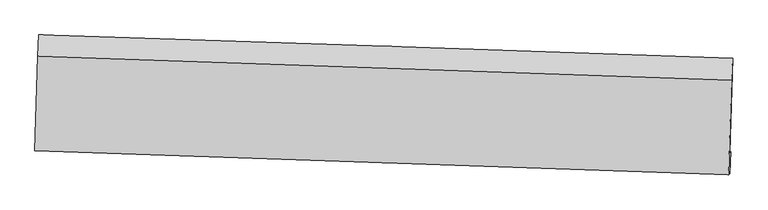
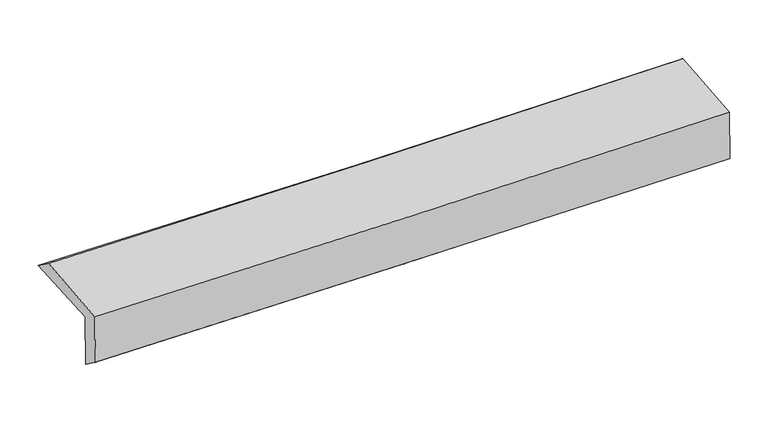
"""IFC4 building model written with IfcOpenShell, lengths in millimetres: proxy geometry."""

from ifc_helpers import new_model, si_unit, frame, origin, place, context, project, spatial, source, transform, mapped, element, save
from ifc_brep_helpers import plane_surface, spline_curve, spline_surface, advanced_brep


def generic_models_17e0dd51(model_context):
    return source(origin(), model_context, "Body", "AdvancedBrep", [
        advanced_brep(
        [(-2439.3539587, -1720.9464075, 2005.0434882), (-2419.3520905, -1056.3871115, 2018.6768078), (2425.8915902, -1218.9172117, 2095.3686577), (2405.4274766, -1878.4608268, 2081.8246614), (-2430.4751065, -1712.9842156, 1603.8981774), (2414.3876011, -1870.4257533, 1677.0074788), (-2437.1728317, -1857.1427032, 1710.5142113), (2407.0022636, -2024.7935416, 1794.5146885), (-2445.6406225, -1864.7362718, 2093.0878204), (2398.3135592, -2032.5852166, 2187.0691464), (-2426.2780837, -1206.3981481, 2127.5937727), (2418.287983, -1374.266064, 2221.5882655)],
        [
            (0, 1),
            (1, 2, spline_curve(3, [(-2419.3520905, -1056.3871115, 2018.6768078), (-1608.188399472, -1081.38550836, 2020.027781073), (-797.16941587, -1107.489360822, 2027.144359506), (817.909440397, -1161.684171645, 2052.802767271), (1621.971683608, -1189.757019391, 2071.250138687), (2425.8915902, -1218.9172117, 2095.3686577)], [4, 2, 4], [0.0, 7.9861511875064135, 15.906613764639683])),
            (2, 3),
            (3, 0, spline_curve(3, [(2405.4274766, -1878.4608268, 2081.8246614), (1601.386574118, -1851.930439015, 2064.293448544), (797.301786016, -1825.592452039, 2049.145949549), (-817.624628157, -1773.084441106, 2023.512522591), (-1628.466985149, -1746.917621395, 2013.066297152), (-2439.3539587, -1720.9464075, 2005.0434882)], [4, 2, 4], [0.0, 7.92046257713327, 15.906613764639683])),
            (4, 0),
            (3, 5),
            (5, 4, spline_curve(3, [(2414.3876011, -1870.4257533, 1677.0074788), (1610.378437748, -1843.866902945, 1658.042288094), (806.302868178, -1817.520649335, 1642.478306283), (-808.650261646, -1765.036595946, 1618.051889375), (-1619.528927743, -1738.902336823, 1609.246103746), (-2430.4751065, -1712.9842156, 1603.8981774)], [4, 2, 4], [0.0, 7.919909772052691, 15.905503569771863])),
            (6, 4),
            (5, 7),
            (7, 6, spline_curve(3, [(2407.0022636, -2024.7935416, 1794.5146885), (1602.970953936, -1996.650662937, 1779.995974555), (798.941094146, -1968.665362049, 1765.764295469), (-815.783961749, -1912.779124432, 1737.759355372), (-1626.479133739, -1884.880812949, 1723.990875818), (-2437.1728317, -1857.1427032, 1710.5142113)], [4, 2, 4], [0.0, 7.919745332975387, 15.905173327836494])),
            (8, 6),
            (7, 9),
            (9, 8, spline_curve(3, [(2398.3135592, -2032.5852166, 2187.0691464), (1594.465997652, -2004.277560263, 2164.248719165), (790.546649072, -1976.193157315, 2145.024159624), (-824.103549341, -1920.239790345, 2113.63715892), (-1634.835594444, -1892.374545137, 2101.534609767), (-2445.6406225, -1864.7362718, 2093.0878204)], [4, 2, 4], [0.0, 7.919590672188376, 15.904862723578276])),
            (10, 8),
            (9, 11),
            (11, 10, spline_curve(3, [(2418.287983, -1374.266064, 2221.5882655), (1614.33802422, -1345.955185739, 2198.765635899), (810.316695379, -1317.867597016, 2179.538882295), (-804.537471565, -1261.907906129, 2148.147492523), (-1615.3714981, -1234.039522567, 2136.042748209), (-2426.2780837, -1206.3981481, 2127.5937727)], [4, 2, 4], [0.0, 7.920136649819225, 15.905959206922963])),
            (1, 10),
            (11, 2),
        ],
        [
            spline_surface(3, 3, [[(-2439.3539587, -1720.9464075, 2005.0434882), (-1628.466985205, -1746.917621487, 2013.066297051), (-817.624628143, -1773.084441051, 2023.512522493), (797.301786002, -1825.592452094, 2049.145949645), (1601.386574049, -1851.930438947, 2064.293448643), (2405.4274766, -1878.4608268, 2081.8246614)], [(-2432.686669303, -1499.426642175, 2009.587928069), (-1621.70745664, -1525.07358383, 2015.386791694), (-810.806224032, -1551.219414357, 2024.723134834), (804.171004116, -1604.289691957, 2050.364888845), (1608.248277214, -1631.205965723, 2066.612345338), (2412.248847791, -1658.6129551, 2086.339326851)], [(-2426.019379897, -1277.906876825, 2014.132367931), (-1614.947928067, -1303.229546147, 2017.70728633), (-803.987819923, -1329.35438757, 2025.933747184), (811.040222227, -1382.986931727, 2051.583828053), (1615.109980406, -1410.481492498, 2068.931241981), (2419.070219009, -1438.7650834, 2090.853992249)], [(-2419.3520905, -1056.3871115, 2018.6768078), (-1608.188399501, -1081.385508491, 2020.027780973), (-797.169415813, -1107.489360876, 2027.144359525), (817.909440341, -1161.684171591, 2052.802767253), (1621.971683572, -1189.757019273, 2071.250138676), (2425.8915902, -1218.9172117, 2095.3686577)]], [4, 4], [4, 2, 4], [0.0, 2.1820392126921333], [0.0, 7.9861511875064135, 15.906613764639683]),
            spline_surface(3, 3, [[(-2430.4751065, -1712.9842156, 1603.8981774), (-1619.528927809, -1738.902336787, 1609.246103701), (-808.650261638, -1765.036595877, 1618.051889258), (806.302868171, -1817.520649404, 1642.478306399), (1610.378437868, -1843.866902923, 1658.042287999), (2414.3876011, -1870.4257533, 1677.0074788)], [(-2433.434723911, -1715.638279544, 1737.613281009), (-1622.508280285, -1741.574098331, 1743.852834826), (-811.641717147, -1767.719210926, 1753.205433686), (803.302507441, -1820.211250291, 1778.034187497), (1607.381149913, -1846.554748272, 1793.459341548), (2411.400892918, -1873.10411114, 1811.946539668)], [(-2436.394341289, -1718.292343556, 1871.328384591), (-1625.487632728, -1744.245859943, 1878.459565926), (-814.633172634, -1770.401826002, 1888.358978065), (800.302146732, -1822.901851206, 1913.590068547), (1604.383862004, -1849.242593599, 1928.876395094), (2408.414184782, -1875.78246896, 1946.885600532)], [(-2439.3539587, -1720.9464075, 2005.0434882), (-1628.466985205, -1746.917621487, 2013.066297051), (-817.624628143, -1773.084441051, 2023.512522493), (797.301786002, -1825.592452094, 2049.145949645), (1601.386574049, -1851.930438947, 2064.293448643), (2405.4274766, -1878.4608268, 2081.8246614)]], [4, 4], [4, 2, 4], [0.0, 1.3328035228617265], [0.0, 7.985593797719172, 15.905503569771863]),
            spline_surface(3, 3, [[(-2437.1728317, -1857.1427032, 1710.5142113), (-1626.479133622, -1884.880812855, 1723.990875692), (-815.783961757, -1912.77912455, 1737.759355492), (798.941094153, -1968.665361931, 1765.76429535), (1602.970954058, -1996.650663046, 1779.995974641), (2407.0022636, -2024.7935416, 1794.5146885)], [(-2434.940256608, -1809.089874017, 1674.975533322), (-1624.162398325, -1836.221320849, 1685.74261835), (-813.40606171, -1863.531614995, 1697.856866741), (801.395018833, -1918.283791091, 1724.668965693), (1605.440115356, -1945.722743005, 1739.34474575), (2409.464042795, -1973.337612167, 1755.345618589)], [(-2432.707681592, -1761.037044783, 1639.436855378), (-1621.845663106, -1787.561828793, 1647.494361042), (-811.028161685, -1814.284105433, 1657.954378009), (803.848943492, -1867.902220244, 1683.573636056), (1607.90927657, -1894.794822964, 1698.693516891), (2411.925821905, -1921.881682733, 1716.176548711)], [(-2430.4751065, -1712.9842156, 1603.8981774), (-1619.528927809, -1738.902336787, 1609.246103701), (-808.650261638, -1765.036595877, 1618.051889258), (806.302868171, -1817.520649404, 1642.478306399), (1610.378437868, -1843.866902923, 1658.042287999), (2414.3876011, -1870.4257533, 1677.0074788)]], [4, 4], [4, 2, 4], [0.0, 0.6322710235316513], [0.0, 7.985427994861107, 15.905173327836494]),
            spline_surface(3, 3, [[(-2445.6406225, -1864.7362718, 2093.0878204), (-1634.835594397, -1892.374545239, 2101.534609729), (-824.103549233, -1920.239790472, 2113.637158818), (790.546648965, -1976.19315719, 2145.024159724), (1594.46599775, -2004.277560267, 2164.248719264), (2398.3135592, -2032.5852166, 2187.0691464)], [(-2442.818025591, -1862.205082242, 1965.563284056), (-1632.050107497, -1889.87663442, 1975.686698406), (-821.330353432, -1917.752901809, 1988.344557693), (793.344797336, -1973.683892082, 2018.604204916), (1597.300983185, -2001.735261186, 2036.164471047), (2401.209793999, -2029.987991592, 2056.217660424)], [(-2439.995428609, -1859.673892758, 1838.038747644), (-1629.264620523, -1887.378723674, 1849.838787015), (-818.557157557, -1915.266013213, 1863.051956617), (796.142945782, -1971.17462704, 1892.184250157), (1600.135968623, -1999.192962127, 1908.080222858), (2404.106028801, -2027.390766608, 1925.366174476)], [(-2437.1728317, -1857.1427032, 1710.5142113), (-1626.479133622, -1884.880812855, 1723.990875692), (-815.783961757, -1912.77912455, 1737.759355492), (798.941094153, -1968.665361931, 1765.76429535), (1602.970954058, -1996.650663046, 1779.995974641), (2407.0022636, -2024.7935416, 1794.5146885)]], [4, 4], [4, 2, 4], [0.0, 1.2392449350097121], [0.0, 7.9852720513899, 15.904862723578276]),
            spline_surface(3, 3, [[(-2426.2780837, -1206.3981481, 2127.5937727), (-1615.371498181, -1234.039522665, 2136.042748323), (-804.537471501, -1261.907906047, 2148.147492425), (810.316695316, -1317.867597097, 2179.538882392), (1614.338024241, -1345.955185675, 2198.765635879), (2418.287983, -1374.266064, 2221.5882655)], [(-2432.732263305, -1425.844189358, 2116.091788582), (-1621.859530258, -1453.484530215, 2124.540035441), (-811.059497392, -1481.351867538, 2136.644047895), (803.726679884, -1537.309450478, 2168.033974841), (1607.7140154, -1565.395977206, 2187.259997003), (2411.629841722, -1593.705781534, 2210.081892462)], [(-2439.186442895, -1645.290230542, 2104.589804518), (-1628.34756232, -1672.929537689, 2113.037322612), (-817.581523341, -1700.795828981, 2125.140603349), (797.136664396, -1756.75130381, 2156.529067275), (1601.090006591, -1784.836768736, 2175.75435814), (2404.971700478, -1813.145499066, 2198.575519438)], [(-2445.6406225, -1864.7362718, 2093.0878204), (-1634.835594397, -1892.374545239, 2101.534609729), (-824.103549233, -1920.239790472, 2113.637158818), (790.546648965, -1976.19315719, 2145.024159724), (1594.46599775, -2004.277560267, 2164.248719264), (2398.3135592, -2032.5852166, 2187.0691464)]], [4, 4], [4, 2, 4], [0.0, 2.1637994842077943], [0.0, 7.985822557103738, 15.905959206922963]),
            spline_surface(3, 3, [[(-2419.3520905, -1056.3871115, 2018.6768078), (-1608.188399501, -1081.385508491, 2020.027780973), (-797.169415813, -1107.489360876, 2027.144359525), (817.909440341, -1161.684171591, 2052.802767253), (1621.971683572, -1189.757019273, 2071.250138676), (2425.8915902, -1218.9172117, 2095.3686577)], [(-2421.660754883, -1106.390790363, 2054.982462762), (-1610.582765711, -1132.270179878, 2058.699436752), (-799.62543437, -1158.962209248, 2067.478737163), (815.378525338, -1213.745313408, 2095.04813897), (1619.42713047, -1241.823074741, 2113.755304417), (2423.357054475, -1270.700162467, 2137.441860306)], [(-2423.969419317, -1156.394469237, 2091.288117738), (-1612.977131972, -1183.154851278, 2097.371092544), (-802.081452944, -1210.435057676, 2107.813114787), (812.847610319, -1265.806455281, 2137.293510675), (1616.882577343, -1293.889130208, 2156.260470139), (2420.822518725, -1322.483113233, 2179.515062894)], [(-2426.2780837, -1206.3981481, 2127.5937727), (-1615.371498181, -1234.039522665, 2136.042748323), (-804.537471501, -1261.907906047, 2148.147492425), (810.316695316, -1317.867597097, 2179.538882392), (1614.338024241, -1345.955185675, 2198.765635879), (2418.287983, -1374.266064, 2221.5882655)]], [4, 4], [4, 2, 4], [0.0, 0.6521353565135602], [0.0, 7.986535557043269, 15.907379342152819]),
            plane_surface(frame((2411.5517456, -1733.2414356, 2009.5621497), z_axis=(0.999274308201076, -0.0314465497660332, 0.021493521746643627), x_axis=(0.022123980286820572, 0.01983988138544235, -0.9995583567770718))),
            plane_surface(frame((-2433.0454489, -1569.7658096, 1926.4690463), z_axis=(-0.9993026786593893, 0.03051828240095534, -0.021512574542925714), x_axis=(-0.030077997281129393, -0.9993372871788109, -0.020501232491029583))),
        ],
        [
            (0, [[1, 2, 3, 4]]),
            (1, [[5, -4, 6, 7]]),
            (2, [[8, -7, 9, 10]]),
            (3, [[11, -10, 12, 13]]),
            (4, [[14, -13, 15, 16]]),
            (5, [[17, -16, 18, -2]]),
            (6, [[-12, -9, -6, -3, -18, -15]]),
            (7, [[-1, -5, -8, -11, -14, -17]]),
        ],
    ),
    ])


if __name__ == "__main__":
    model = new_model("IFC4")
    model_context = context("Model", 3, world=origin())
    ifc_project = project(units=[si_unit("LENGTHUNIT", "METRE", prefix="MILLI")], contexts=[model_context])
    site = spatial("IfcSite", under=ifc_project)
    building = spatial("IfcBuilding", under=site)
    placement = place(None, origin())
    generic_models_shape = generic_models_17e0dd51(model_context)
    element("IfcBuildingElementProxy", 1, Name="Generic Models", at=placement, inside=building, context=model_context, shape_type="MappedRepresentation", body=[
        mapped(generic_models_shape, transform((0.0, 0.0, 0.0), x_axis=(1.0, 0.0, 0.0), y_axis=(0.0, 1.0, 0.0), z_axis=(0.0, 0.0, 1.0))),
    ])
    save(model, "model.ifc")
